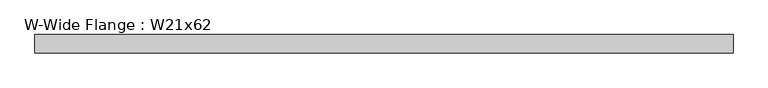
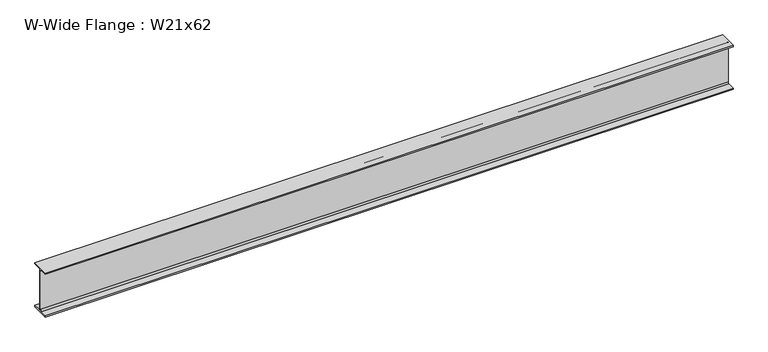
"""IFC4 building model written with IfcOpenShell, lengths in millimetres: beam geometry, W-Wide Flange : W21x62."""

import ifcopenshell
import ifcopenshell.guid

model = None  # the IFC model being written
_history = None  # IfcOwnerHistory: only IFC2X3 demands one
_inside = {}  # id of a spatial element -> (the spatial element, [elements in it])
_under = {}  # id of a project, library or spatial element -> (it, [spatial elements below it])
_declared = {}  # id of a project -> (the project, [libraries it declares])
_typed = {}  # id of a type object -> (the type object, [elements of that type])
_made_of = {}  # id of a material, layer set ... -> (it, [elements and type objects made of it])


def new_model(schema):
    """Start an empty IFC model of exactly this schema.

    Asked for "IFC4X3", IfcOpenShell would pick the latest addendum, in which some entities
    have other attributes; the version numbers below select the first issue.
    IFC2X3 requires an IfcOwnerHistory on every rooted entity: one is made here for all.
    """
    global model, _history
    if schema == "IFC4X3":
        model = ifcopenshell.file(schema_version=(4, 3, 0, 0))
    else:
        model = ifcopenshell.file(schema=schema)
    _inside.clear()
    _under.clear()
    _declared.clear()
    _typed.clear()
    _made_of.clear()
    _history = None
    if model.schema == "IFC2X3":
        org = make("IfcOrganization", Name="unknown")
        user = make(
            "IfcPersonAndOrganization",
            ThePerson=make("IfcPerson", FamilyName="unknown"),
            TheOrganization=org,
        )
        app = make(
            "IfcApplication",
            ApplicationDeveloper=org,
            Version="unknown",
            ApplicationFullName="unknown",
            ApplicationIdentifier="unknown",
        )
        _history = make(
            "IfcOwnerHistory",
            OwningUser=user,
            OwningApplication=app,
            ChangeAction="ADDED",
            CreationDate=0,
        )
    return model


def make(cls, **values):
    """One entity of the class cls with the attributes given. An attribute that is None is left unset."""
    return model.create_entity(
        cls, **{name: value for name, value in values.items() if value is not None}
    )


def rooted(cls, **values):
    """An entity with a GlobalId (a new one), such as an element, a storey or a relation."""
    return make(cls, GlobalId=ifcopenshell.guid.new(), OwnerHistory=_history, **values)


def si_unit(unit_type, name, prefix=None):
    """IfcSIUnit, for example si_unit("LENGTHUNIT", "METRE", prefix="MILLI")."""
    return make("IfcSIUnit", UnitType=unit_type, Prefix=prefix, Name=name)


def assignment(units):
    """IfcUnitAssignment: the units of a project."""
    return None if units is None else make("IfcUnitAssignment", Units=units)


def point(xyz):
    """IfcCartesianPoint."""
    return None if xyz is None else make("IfcCartesianPoint", Coordinates=xyz)


def direction(xyz):
    """IfcDirection."""
    return None if xyz is None else make("IfcDirection", DirectionRatios=xyz)


def frame(location, z_axis=None, x_axis=None):
    """IfcAxis2Placement3D, a coordinate frame: its origin and axes. An axis left out is left unset."""
    return make(
        "IfcAxis2Placement3D",
        Location=point(location),
        Axis=direction(z_axis),
        RefDirection=direction(x_axis),
    )


def frame_2d(location, x_axis=None):
    """IfcAxis2Placement2D, a coordinate frame in the plane: its origin and x axis."""
    return make(
        "IfcAxis2Placement2D", Location=point(location), RefDirection=direction(x_axis)
    )


def origin():
    """The frame at (0, 0, 0) with its axes left unset."""
    return frame((0.0, 0.0, 0.0))


def place(relative_to, where):
    """IfcLocalPlacement: puts the frame where relative to a parent placement (None: the world)."""
    return make(
        "IfcLocalPlacement", PlacementRelTo=relative_to, RelativePlacement=where
    )


def context(
    kind, dimensions, precision=None, world=None, true_north=None, identifier=None
):
    """IfcGeometricRepresentationContext, for example the 3D "Model" context."""
    return make(
        "IfcGeometricRepresentationContext",
        ContextIdentifier=identifier,
        ContextType=kind,
        CoordinateSpaceDimension=dimensions,
        Precision=precision,
        WorldCoordinateSystem=world,
        TrueNorth=true_north,
    )


def project(units=None, contexts=None):
    """IfcProject with its units and contexts."""
    return rooted(
        "IfcProject",
        Name="project",
        RepresentationContexts=contexts,
        UnitsInContext=assignment(units),
    )


def spatial(cls, under=None, at=None, **own):
    """A site, building, storey or space (cls), placed at a placement, below another one or the project."""
    s = rooted(cls, ObjectPlacement=at, **own)
    if under is not None:
        _under.setdefault(under.id(), (under, []))[1].append(s)
    return s


def polyline(points):
    """IfcPolyline through the points."""
    return make("IfcPolyline", Points=[point(p) for p in points])


def circle_curve(where, radius):
    """IfcCircle in the frame where."""
    return make("IfcCircle", Position=where, Radius=radius)


def trimmed(basis, trim1, trim2, sense, master):
    """IfcTrimmedCurve: the piece of a basis curve between two trims."""
    return make(
        "IfcTrimmedCurve",
        BasisCurve=basis,
        Trim1=trim1,
        Trim2=trim2,
        SenseAgreement=sense,
        MasterRepresentation=master,
    )


def segment(curve, same_sense, transition):
    """IfcCompositeCurveSegment."""
    return make(
        "IfcCompositeCurveSegment",
        Transition=transition,
        SameSense=same_sense,
        ParentCurve=curve,
    )


def composite_curve(segments, self_intersect=None):
    """IfcCompositeCurve: segments joined end to end."""
    return make("IfcCompositeCurve", Segments=segments, SelfIntersect=self_intersect)


def outline(outer, holes=None, kind="AREA"):
    """IfcArbitraryClosedProfileDef: a profile drawn as a closed curve; with holes, ...WithVoids."""
    if holes is None:
        return make("IfcArbitraryClosedProfileDef", ProfileType=kind, OuterCurve=outer)
    return make(
        "IfcArbitraryProfileDefWithVoids",
        ProfileType=kind,
        OuterCurve=outer,
        InnerCurves=holes,
    )


def extrude(swept, where, along, depth):
    """IfcExtrudedAreaSolid: the profile swept, set in the frame where, extruded along a direction by depth."""
    return make(
        "IfcExtrudedAreaSolid",
        SweptArea=swept,
        Position=where,
        ExtrudedDirection=direction(along),
        Depth=depth,
    )


def shape(context_of_items, identifier, shape_type, items):
    """IfcShapeRepresentation: the items that make up one representation, for example the "Body"."""
    return make(
        "IfcShapeRepresentation",
        ContextOfItems=context_of_items,
        RepresentationIdentifier=identifier,
        RepresentationType=shape_type,
        Items=items,
    )


def source(mapping_origin, context_of_items, identifier, shape_type, items):
    """IfcRepresentationMap: a shape defined once, which mapped items show again and again."""
    return make(
        "IfcRepresentationMap",
        MappingOrigin=mapping_origin,
        MappedRepresentation=shape(context_of_items, identifier, shape_type, items),
    )


def transform(
    local_origin,
    x_axis=None,
    y_axis=None,
    z_axis=None,
    scale=None,
    scale2=None,
    scale3=None,
    uniform=True,
):
    """IfcCartesianTransformationOperator3D, or its non-uniform kind. x_axis, y_axis, z_axis: its Axis1, 2, 3."""
    if uniform:
        return make(
            "IfcCartesianTransformationOperator3D",
            Axis1=direction(x_axis),
            Axis2=direction(y_axis),
            LocalOrigin=point(local_origin),
            Scale=scale,
            Axis3=direction(z_axis),
        )
    return make(
        "IfcCartesianTransformationOperator3DnonUniform",
        Axis1=direction(x_axis),
        Axis2=direction(y_axis),
        LocalOrigin=point(local_origin),
        Scale=scale,
        Axis3=direction(z_axis),
        Scale2=scale2,
        Scale3=scale3,
    )


def mapped(mapping_source, mapping_target):
    """IfcMappedItem: shows the shape of a source again, moved by a transform."""
    return make(
        "IfcMappedItem", MappingSource=mapping_source, MappingTarget=mapping_target
    )


def made_of(thing, what):
    """Note that an element or type object is made of a material, layer set ...; save() writes the relation."""
    if what is not None:
        _made_of.setdefault(what.id(), (what, []))[1].append(thing)
    return thing


def element(
    cls,
    number,
    at=None,
    inside=None,
    cuts=None,
    type_object=None,
    material=None,
    context=None,
    identifier="Body",
    shape_type=None,
    held_by="IfcProductDefinitionShape",
    body=None,
    shapes=None,
    **own,
):
    """One element of the class cls, such as IfcWall. Its Tag is "e" and its number.

    at: its placement. inside: the storey or other place that contains it. cuts: it is an
    opening in that element (IfcRelVoidsElement). A single representation is given by context,
    identifier, shape_type and body (its items); several are given by shapes. held_by: the class
    of the entity that holds the representations. save() writes the other relations.
    """
    e = rooted(cls, Tag="e%d" % number, ObjectPlacement=at, **own)
    if body is not None:
        shapes = [shape(context, identifier, shape_type, body)]
    if shapes is not None:
        e.Representation = make(held_by, Representations=shapes)
    if inside is not None:
        _inside.setdefault(inside.id(), (inside, []))[1].append(e)
    if cuts is not None:
        rooted(
            "IfcRelVoidsElement", RelatingBuildingElement=cuts, RelatedOpeningElement=e
        )
    if type_object is not None:
        _typed.setdefault(type_object.id(), (type_object, []))[1].append(e)
    return made_of(e, material)


def aggregate(whole, parts):
    """IfcRelAggregates: a whole, such as a stair, and the parts it consists of."""
    return rooted("IfcRelAggregates", RelatingObject=whole, RelatedObjects=parts)


def save(model, path):
    """Write the relations noted so far, then the file.

    IfcRelAggregates (storeys below a building ...), IfcRelContainedInSpatialStructure (elements
    in a storey), IfcRelDefinesByType, IfcRelAssociatesMaterial and IfcRelDeclares: one each for
    every whole, place, type object, material and project.
    """
    for whole, parts in _under.values():
        aggregate(whole, parts)
    for where, things in _inside.values():
        rooted(
            "IfcRelContainedInSpatialStructure",
            RelatedElements=things,
            RelatingStructure=where,
        )
    for kind, things in _typed.values():
        rooted("IfcRelDefinesByType", RelatedObjects=things, RelatingType=kind)
    for what, things in _made_of.values():
        rooted("IfcRelAssociatesMaterial", RelatedObjects=things, RelatingMaterial=what)
    for by, libraries in _declared.values():
        rooted("IfcRelDeclares", RelatingContext=by, RelatedDefinitions=libraries)
    model.write(path)


def w_wide_flange_w21x62_37cff2f1(model_context):
    return source(origin(), model_context, "Body", "SweptSolid", [
        extrude(outline(composite_curve([segment(polyline([(104.648, -251.079), (104.648, -266.7), (-104.648, -266.7), (-104.648, -251.079), (-22.7965, -251.079)]), True, "CONTINUOUS"), segment(trimmed(circle_curve(frame_2d((-22.7965, -233.3625)), 17.7165), [point((-22.7965, -251.079))], [point((-5.08, -233.3625))], True, "CARTESIAN"), True, "CONTINUOUS"), segment(polyline([(-5.08, -233.3625), (-5.08, 233.3625)]), True, "CONTINUOUS"), segment(trimmed(circle_curve(frame_2d((-22.7965, 233.3625)), 17.7165), [point((-5.08, 233.3625))], [point((-22.7965, 251.079))], True, "CARTESIAN"), True, "CONTINUOUS"), segment(polyline([(-22.7965, 251.079), (-104.648, 251.079), (-104.648, 266.7), (104.648, 266.7), (104.648, 251.079), (22.7965, 251.079)]), True, "CONTINUOUS"), segment(trimmed(circle_curve(frame_2d((22.7965, 233.3625)), 17.7165), [point((22.7965, 251.079))], [point((5.08, 233.3625))], True, "CARTESIAN"), True, "CONTINUOUS"), segment(polyline([(5.08, 233.3625), (5.08, -233.3625)]), True, "CONTINUOUS"), segment(trimmed(circle_curve(frame_2d((22.7965, -233.3625)), 17.7165), [point((5.08, -233.3625))], [point((22.7965, -251.079))], True, "CARTESIAN"), True, "CONTINUOUS"), segment(polyline([(22.7965, -251.079), (104.648, -251.079)]), True, "CONTINUOUS")], self_intersect=False)), frame((-3868.0656305, 0.0, 0.0), z_axis=(1.0, 0.0, 0.0), x_axis=(0.0, 1.0, 0.0)), (0.0, 0.0, 1.0), 7886.8802609),
    ])


if __name__ == "__main__":
    model = new_model("IFC4")
    model_context = context("Model", 3, world=origin())
    ifc_project = project(units=[si_unit("LENGTHUNIT", "METRE", prefix="MILLI")], contexts=[model_context])
    site = spatial("IfcSite", under=ifc_project)
    building = spatial("IfcBuilding", under=site)
    placement = place(None, origin())
    w_wide_flange_w21x62_shape = w_wide_flange_w21x62_37cff2f1(model_context)
    element("IfcBeam", 1, ObjectType="W-Wide Flange : W21x62", at=placement, inside=building, context=model_context, shape_type="MappedRepresentation", body=[
        mapped(w_wide_flange_w21x62_shape, transform((0.0, 0.0, 0.0), x_axis=(1.0, 0.0, 0.0), y_axis=(0.0, 1.0, 0.0), z_axis=(0.0, 0.0, 1.0))),
    ])
    save(model, "model.ifc")
